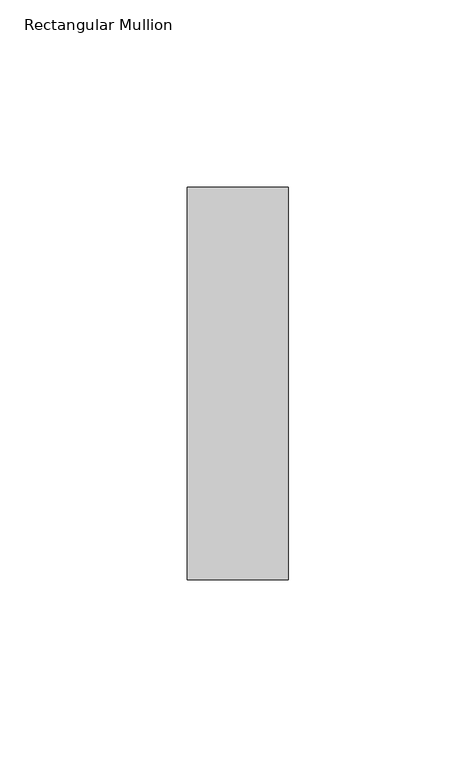
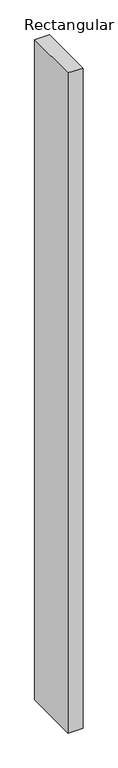
"""IFC4 building model written with IfcOpenShell, lengths in millimetres: member geometry, Rectangular Mullion."""

from ifc_helpers import new_model, si_unit, frame, origin, place, context, project, spatial, polyline, outline, extrude, source, transform, mapped, element, save


def rectangular_mullion_eeade060(model_context):
    return source(origin(), model_context, "Body", "SweptSolid", [
        extrude(outline(polyline([(-27.0, 52.3975), (0.0, 52.3975), (0.0, -52.3975), (-27.0, -52.3975), (-27.0, 52.3975)])), frame((0.0, 0.0, -1266.0694216), z_axis=(0.0, 0.0, 1.0), x_axis=(1.0, 0.0, 0.0)), (0.0, 0.0, 1.0), 1266.0694216),
    ])


if __name__ == "__main__":
    model = new_model("IFC4")
    model_context = context("Model", 3, world=origin())
    ifc_project = project(units=[si_unit("LENGTHUNIT", "METRE", prefix="MILLI")], contexts=[model_context])
    site = spatial("IfcSite", under=ifc_project)
    building = spatial("IfcBuilding", under=site)
    placement = place(None, origin())
    rectangular_mullion_shape = rectangular_mullion_eeade060(model_context)
    element("IfcMember", 1, ObjectType="Rectangular Mullion", at=placement, inside=building, context=model_context, shape_type="MappedRepresentation", body=[
        mapped(rectangular_mullion_shape, transform((0.0, 0.0, 0.0), x_axis=(1.0, 0.0, 0.0), y_axis=(0.0, 1.0, 0.0), z_axis=(0.0, 0.0, 1.0))),
    ])
    save(model, "model.ifc")
